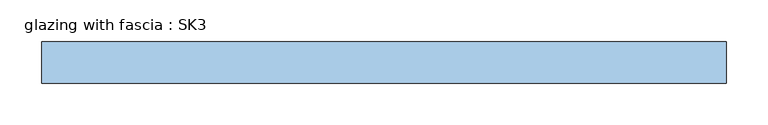
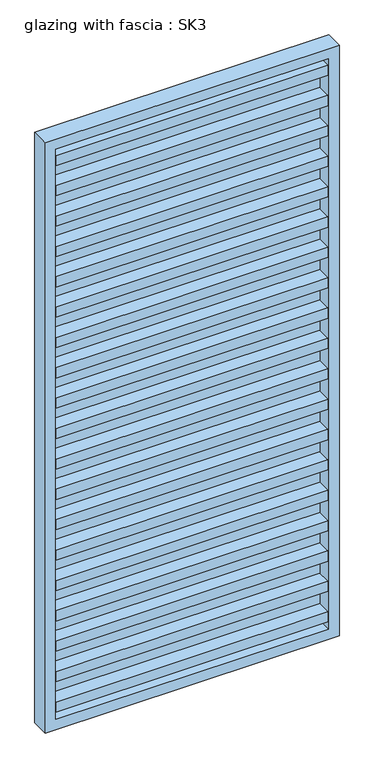
"""IFC4 building model written with IfcOpenShell, lengths in millimetres: window geometry, glazing with fascia : SK3."""

from ifc_helpers import new_model, si_unit, frame, origin, place, context, project, spatial, polyline, outline, extrude, source, transform, mapped, element, save


def glazing_with_fascia_sk3_0e8af22b(model_context):
    return source(origin(), model_context, "Body", "SweptSolid", [
        extrude(outline(polyline([(382.5, -0.1334055), (382.5, -8.1334055), (-382.5, -8.1334055), (-382.5, -0.1334055), (382.5, -0.1334055)])), frame((0.0, 0.0, 30.0), z_axis=(0.0, 0.0, 1.0), x_axis=(1.0, 0.0, 0.0)), (0.0, 0.0, 1.0), 1690.0),
        extrude(outline(polyline([(1750.0, -412.5), (0.0, -412.5), (0.0, 412.5), (1750.0, 412.5), (1750.0, -412.5)]), holes=[polyline([(1720.0, -382.5), (1720.0, 382.5), (30.0, 382.5), (30.0, -382.5), (1720.0, -382.5)])]), frame((0.0, -50.0, 0.0), z_axis=(0.0, 1.0, 0.0), x_axis=(0.0, 0.0, 1.0)), (0.0, 0.0, 1.0), 50.0),
        extrude(outline(polyline([(-382.5, -48.1334055), (-382.5, -8.1334055), (382.5, -8.1334055), (382.5, -48.1334055), (-382.5, -48.1334055)])), frame((0.0, 0.0, 1580.4), z_axis=(0.0, 0.0, 1.0), x_axis=(1.0, 0.0, 0.0)), (0.0, 0.0, 1.0), 30.0),
        extrude(outline(polyline([(-382.5, -48.1334055), (-382.5, -8.1334055), (382.5, -8.1334055), (382.5, -48.1334055), (-382.5, -48.1334055)])), frame((0.0, 0.0, 1490.4), z_axis=(0.0, 0.0, 1.0), x_axis=(1.0, 0.0, 0.0)), (0.0, 0.0, 1.0), 30.0),
        extrude(outline(polyline([(-382.5, -48.1334055), (-382.5, -8.1334055), (382.5, -8.1334055), (382.5, -48.1334055), (-382.5, -48.1334055)])), frame((0.0, 0.0, 1400.4), z_axis=(0.0, 0.0, 1.0), x_axis=(1.0, 0.0, 0.0)), (0.0, 0.0, 1.0), 30.0),
        extrude(outline(polyline([(-382.5, -48.1334055), (-382.5, -8.1334055), (382.5, -8.1334055), (382.5, -48.1334055), (-382.5, -48.1334055)])), frame((0.0, 0.0, 1310.4), z_axis=(0.0, 0.0, 1.0), x_axis=(1.0, 0.0, 0.0)), (0.0, 0.0, 1.0), 30.0),
        extrude(outline(polyline([(-382.5, -48.1334055), (-382.5, -8.1334055), (382.5, -8.1334055), (382.5, -48.1334055), (-382.5, -48.1334055)])), frame((0.0, 0.0, 1220.4), z_axis=(0.0, 0.0, 1.0), x_axis=(1.0, 0.0, 0.0)), (0.0, 0.0, 1.0), 30.0),
        extrude(outline(polyline([(-382.5, -48.1334055), (-382.5, -8.1334055), (382.5, -8.1334055), (382.5, -48.1334055), (-382.5, -48.1334055)])), frame((0.0, 0.0, 1130.4), z_axis=(0.0, 0.0, 1.0), x_axis=(1.0, 0.0, 0.0)), (0.0, 0.0, 1.0), 30.0),
        extrude(outline(polyline([(-382.5, -48.1334055), (-382.5, -8.1334055), (382.5, -8.1334055), (382.5, -48.1334055), (-382.5, -48.1334055)])), frame((0.0, 0.0, 1040.4), z_axis=(0.0, 0.0, 1.0), x_axis=(1.0, 0.0, 0.0)), (0.0, 0.0, 1.0), 30.0),
        extrude(outline(polyline([(-382.5, -48.1334055), (-382.5, -8.1334055), (382.5, -8.1334055), (382.5, -48.1334055), (-382.5, -48.1334055)])), frame((0.0, 0.0, 950.4), z_axis=(0.0, 0.0, 1.0), x_axis=(1.0, 0.0, 0.0)), (0.0, 0.0, 1.0), 30.0),
        extrude(outline(polyline([(-382.5, -48.1334055), (-382.5, -8.1334055), (382.5, -8.1334055), (382.5, -48.1334055), (-382.5, -48.1334055)])), frame((0.0, 0.0, 860.4), z_axis=(0.0, 0.0, 1.0), x_axis=(1.0, 0.0, 0.0)), (0.0, 0.0, 1.0), 30.0),
        extrude(outline(polyline([(-382.5, -48.1334055), (-382.5, -8.1334055), (382.5, -8.1334055), (382.5, -48.1334055), (-382.5, -48.1334055)])), frame((0.0, 0.0, 770.4), z_axis=(0.0, 0.0, 1.0), x_axis=(1.0, 0.0, 0.0)), (0.0, 0.0, 1.0), 30.0),
        extrude(outline(polyline([(-382.5, -48.1334055), (-382.5, -8.1334055), (382.5, -8.1334055), (382.5, -48.1334055), (-382.5, -48.1334055)])), frame((0.0, 0.0, 680.4), z_axis=(0.0, 0.0, 1.0), x_axis=(1.0, 0.0, 0.0)), (0.0, 0.0, 1.0), 30.0),
        extrude(outline(polyline([(-382.5, -48.1334055), (-382.5, -8.1334055), (382.5, -8.1334055), (382.5, -48.1334055), (-382.5, -48.1334055)])), frame((0.0, 0.0, 590.4), z_axis=(0.0, 0.0, 1.0), x_axis=(1.0, 0.0, 0.0)), (0.0, 0.0, 1.0), 30.0),
        extrude(outline(polyline([(-382.5, -48.1334055), (-382.5, -8.1334055), (382.5, -8.1334055), (382.5, -48.1334055), (-382.5, -48.1334055)])), frame((0.0, 0.0, 500.4), z_axis=(0.0, 0.0, 1.0), x_axis=(1.0, 0.0, 0.0)), (0.0, 0.0, 1.0), 30.0),
        extrude(outline(polyline([(-382.5, -48.1334055), (-382.5, -8.1334055), (382.5, -8.1334055), (382.5, -48.1334055), (-382.5, -48.1334055)])), frame((0.0, 0.0, 410.4), z_axis=(0.0, 0.0, 1.0), x_axis=(1.0, 0.0, 0.0)), (0.0, 0.0, 1.0), 30.0),
        extrude(outline(polyline([(-382.5, -48.1334055), (-382.5, -8.1334055), (382.5, -8.1334055), (382.5, -48.1334055), (-382.5, -48.1334055)])), frame((0.0, 0.0, 320.4), z_axis=(0.0, 0.0, 1.0), x_axis=(1.0, 0.0, 0.0)), (0.0, 0.0, 1.0), 30.0),
        extrude(outline(polyline([(-382.5, -48.1334055), (-382.5, -8.1334055), (382.5, -8.1334055), (382.5, -48.1334055), (-382.5, -48.1334055)])), frame((0.0, 0.0, 230.4), z_axis=(0.0, 0.0, 1.0), x_axis=(1.0, 0.0, 0.0)), (0.0, 0.0, 1.0), 30.0),
        extrude(outline(polyline([(-382.5, -48.1334055), (-382.5, -8.1334055), (382.5, -8.1334055), (382.5, -48.1334055), (-382.5, -48.1334055)])), frame((0.0, 0.0, 140.4), z_axis=(0.0, 0.0, 1.0), x_axis=(1.0, 0.0, 0.0)), (0.0, 0.0, 1.0), 30.0),
        extrude(outline(polyline([(-382.5, -48.1334055), (-382.5, -8.1334055), (382.5, -8.1334055), (382.5, -48.1334055), (-382.5, -48.1334055)])), frame((0.0, 0.0, 50.4), z_axis=(0.0, 0.0, 1.0), x_axis=(1.0, 0.0, 0.0)), (0.0, 0.0, 1.0), 30.0),
        extrude(outline(polyline([(-382.5, -48.1334055), (-382.5, -8.1334055), (382.5, -8.1334055), (382.5, -48.1334055), (-382.5, -48.1334055)])), frame((0.0, 0.0, 1670.0), z_axis=(0.0, 0.0, 1.0), x_axis=(1.0, 0.0, 0.0)), (0.0, 0.0, 1.0), 30.0),
    ])


if __name__ == "__main__":
    model = new_model("IFC4")
    model_context = context("Model", 3, world=origin())
    ifc_project = project(units=[si_unit("LENGTHUNIT", "METRE", prefix="MILLI")], contexts=[model_context])
    site = spatial("IfcSite", under=ifc_project)
    building = spatial("IfcBuilding", under=site)
    placement = place(None, origin())
    glazing_with_fascia_sk3_shape = glazing_with_fascia_sk3_0e8af22b(model_context)
    element("IfcWindow", 1, ObjectType="glazing with fascia : SK3", at=placement, inside=building, context=model_context, shape_type="MappedRepresentation", body=[
        mapped(glazing_with_fascia_sk3_shape, transform((0.0, 0.0, 0.0), x_axis=(1.0, 0.0, 0.0), y_axis=(0.0, 1.0, 0.0), z_axis=(0.0, 0.0, 1.0))),
    ])
    save(model, "model.ifc")
